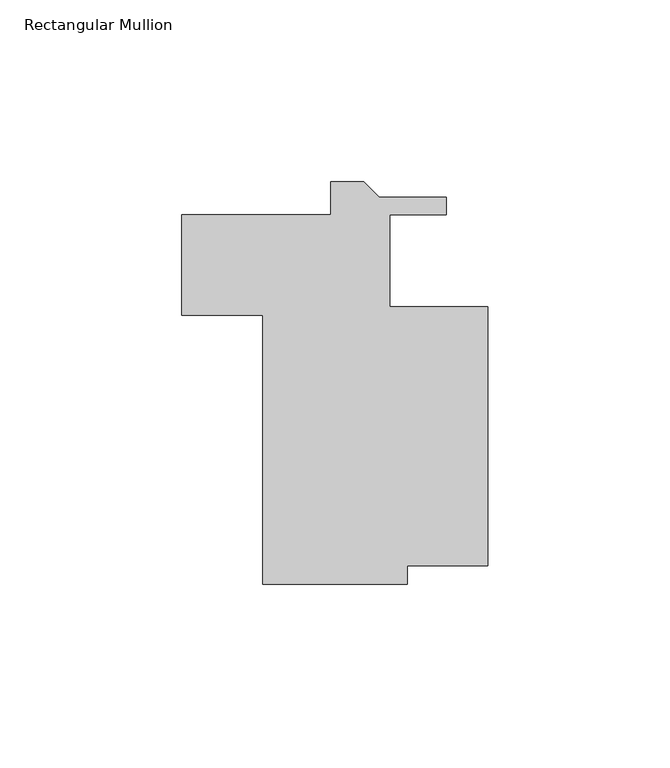
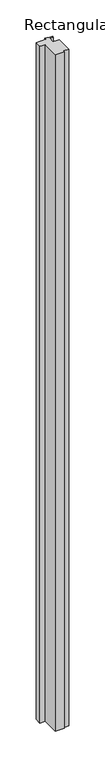
"""IFC4 building model written with IfcOpenShell, lengths in millimetres: member geometry, Rectangular Mullion."""

from ifc_helpers import new_model, si_unit, frame, origin, place, context, project, spatial, polyline, outline, extrude, source, transform, mapped, element, save


def rectangular_mullion_90a969b8(model_context):
    return source(origin(), model_context, "Body", "SweptSolid", [
        extrude(outline(polyline([(0.0, 11.0489975), (-22.225, 11.0489975), (-22.225, 5.9689975), (-61.9125, 5.9689975), (-61.9125, 79.8822037), (-84.1308108, 79.8822037), (-84.1308108, 107.5689975), (-43.2363505, 107.5689975), (-43.2363505, 116.5351975), (-34.1368521, 116.5351975), (-29.8688583, 112.2672037), (-11.4863505, 112.2672037), (-11.4863505, 107.5689974), (-26.9874995, 107.5689974), (-26.9874995, 82.1689974), (-1e-07, 82.1689974), (0.0, 11.0489975)])), frame((0.0, 0.0, -3048.0), z_axis=(0.0, 0.0, 1.0), x_axis=(1.0, 0.0, 0.0)), (0.0, 0.0, 1.0), 3048.0),
    ])


if __name__ == "__main__":
    model = new_model("IFC4")
    model_context = context("Model", 3, world=origin())
    ifc_project = project(units=[si_unit("LENGTHUNIT", "METRE", prefix="MILLI")], contexts=[model_context])
    site = spatial("IfcSite", under=ifc_project)
    building = spatial("IfcBuilding", under=site)
    placement = place(None, origin())
    rectangular_mullion_shape = rectangular_mullion_90a969b8(model_context)
    element("IfcMember", 1, ObjectType="Rectangular Mullion", at=placement, inside=building, context=model_context, shape_type="MappedRepresentation", body=[
        mapped(rectangular_mullion_shape, transform((0.0, 0.0, 0.0), x_axis=(1.0, 0.0, 0.0), y_axis=(0.0, 1.0, 0.0), z_axis=(0.0, 0.0, 1.0))),
    ])
    save(model, "model.ifc")
